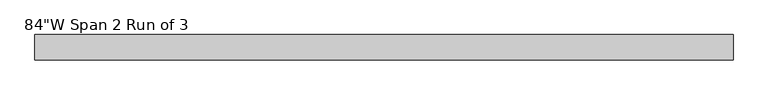
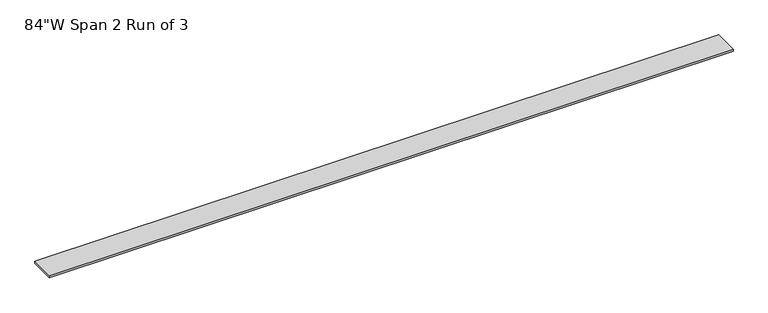
"""IFC4 building model written with IfcOpenShell, lengths in millimetres: furniture geometry."""

from ifc_helpers import new_model, si_unit, frame, origin, place, context, project, spatial, polyline, outline, extrude, source, transform, mapped, element, save


def furniture_40a6d652(model_context):
    return source(origin(), model_context, "Body", "SweptSolid", [
        extrude(outline(polyline([(1010.81205, 38.735), (1010.81205, -38.735), (-1122.78795, -38.735), (-1122.78795, 38.735), (1010.81205, 38.735)])), frame((0.0, 0.0, 1150.366), z_axis=(0.0, 0.0, 1.0), x_axis=(1.0, 0.0, 0.0)), (0.0, 0.0, 1.0), 6.858),
    ])


if __name__ == "__main__":
    model = new_model("IFC4")
    model_context = context("Model", 3, world=origin())
    ifc_project = project(units=[si_unit("LENGTHUNIT", "METRE", prefix="MILLI")], contexts=[model_context])
    site = spatial("IfcSite", under=ifc_project)
    building = spatial("IfcBuilding", under=site)
    placement = place(None, origin())
    furniture_shape = furniture_40a6d652(model_context)
    element("IfcFurniture", 1, ObjectType="84\"W Span 2 Run of 3", at=placement, inside=building, context=model_context, shape_type="MappedRepresentation", body=[
        mapped(furniture_shape, transform((0.0, 0.0, 0.0), x_axis=(1.0, 0.0, 0.0), y_axis=(0.0, 1.0, 0.0), z_axis=(0.0, 0.0, 1.0))),
    ])
    save(model, "model.ifc")
